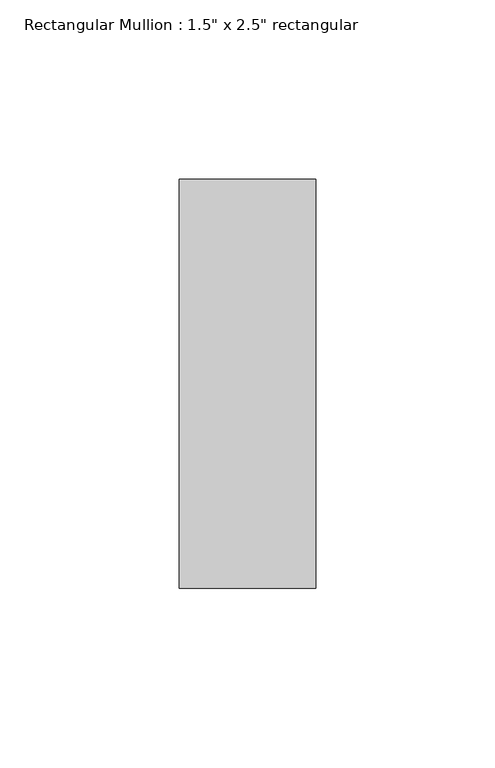
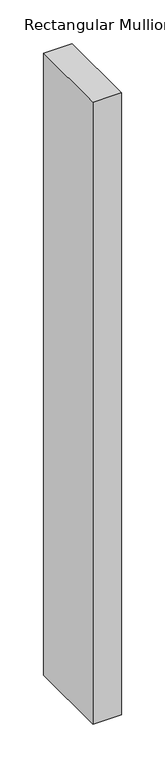
"""IFC4 building model written with IfcOpenShell, lengths in millimetres: member geometry."""

from ifc_helpers import new_model, si_unit, frame, origin, place, context, project, spatial, polyline, outline, extrude, source, transform, mapped, element, save


def member_072f1b56(model_context):
    return source(origin(), model_context, "Body", "SweptSolid", [
        extrude(outline(polyline([(0.0, 57.15), (0.0, -57.15), (-38.1, -57.15), (-38.1, 57.15), (0.0, 57.15)])), frame((0.0, 0.0, -872.5829268), z_axis=(0.0, 0.0, 1.0), x_axis=(1.0, 0.0, 0.0)), (0.0, 0.0, 1.0), 872.5829268),
    ])


if __name__ == "__main__":
    model = new_model("IFC4")
    model_context = context("Model", 3, world=origin())
    ifc_project = project(units=[si_unit("LENGTHUNIT", "METRE", prefix="MILLI")], contexts=[model_context])
    site = spatial("IfcSite", under=ifc_project)
    building = spatial("IfcBuilding", under=site)
    placement = place(None, origin())
    member_shape = member_072f1b56(model_context)
    element("IfcMember", 1, ObjectType="Rectangular Mullion : 1.5\" x 2.5\" rectangular", at=placement, inside=building, context=model_context, shape_type="MappedRepresentation", body=[
        mapped(member_shape, transform((0.0, 0.0, 0.0), x_axis=(1.0, 0.0, 0.0), y_axis=(0.0, 1.0, 0.0), z_axis=(0.0, 0.0, 1.0))),
    ])
    save(model, "model.ifc")
